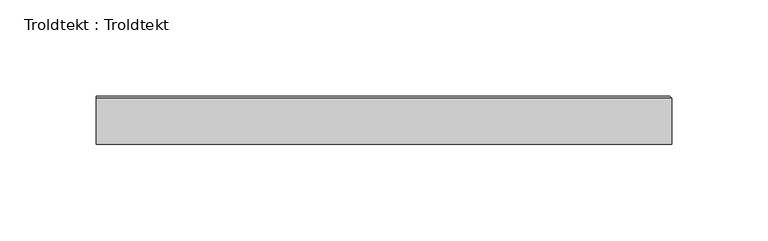
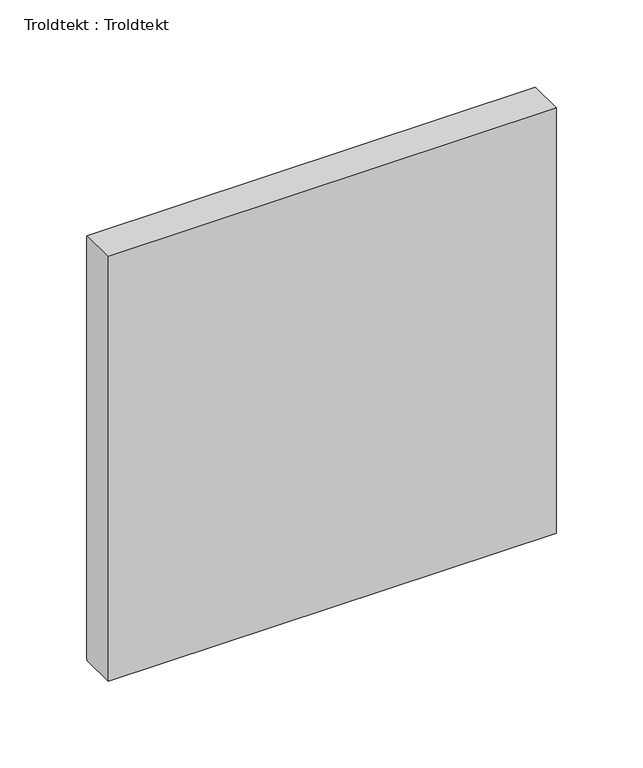
"""IFC4 building model written with IfcOpenShell, lengths in millimetres: proxy geometry, Troldtekt : Troldtekt."""

from ifc_helpers import new_model, si_unit, origin, place, context, project, spatial, faceted_brep, source, transform, mapped, element, save


def troldtekt_troldtekt_4f586a7e(model_context):
    return source(origin(), model_context, "Body", "Brep", [
        faceted_brep([(1.0, -12.5, 299.9999997), (300.0, -12.5, 299.9999997), (300.0, 11.495044, 299.9999997), (1.0, 11.495044, 299.9999997), (300.0, -12.5, 0.0), (1.0, -12.5, 0.0), (1.0, 11.495044, 0.0), (300.0, 11.495044, 0.0), (1.0, 12.5, 1.004956), (1.0, 12.5, 298.9950437), (298.995044, 12.5, 298.9950437), (298.995044, 12.5, 1.004956)], [[[0, 1, 2, 3]], [[4, 5, 6, 7]], [[8, 9, 10, 11]], [[4, 1, 0, 5]], [[1, 4, 7, 2]], [[11, 7, 6, 8]], [[7, 11, 10, 2]], [[2, 10, 9, 3]], [[5, 0, 3, 9, 8, 6]]]),
    ])


if __name__ == "__main__":
    model = new_model("IFC4")
    model_context = context("Model", 3, world=origin())
    ifc_project = project(units=[si_unit("LENGTHUNIT", "METRE", prefix="MILLI")], contexts=[model_context])
    site = spatial("IfcSite", under=ifc_project)
    building = spatial("IfcBuilding", under=site)
    placement = place(None, origin())
    troldtekt_troldtekt_shape = troldtekt_troldtekt_4f586a7e(model_context)
    element("IfcBuildingElementProxy", 1, Name="Troldtekt : Troldtekt", ObjectType="Troldtekt : Troldtekt", at=placement, inside=building, context=model_context, shape_type="MappedRepresentation", body=[
        mapped(troldtekt_troldtekt_shape, transform((0.0, 0.0, 0.0), x_axis=(1.0, 0.0, 0.0), y_axis=(0.0, 1.0, 0.0), z_axis=(0.0, 0.0, 1.0))),
    ])
    save(model, "model.ifc")
